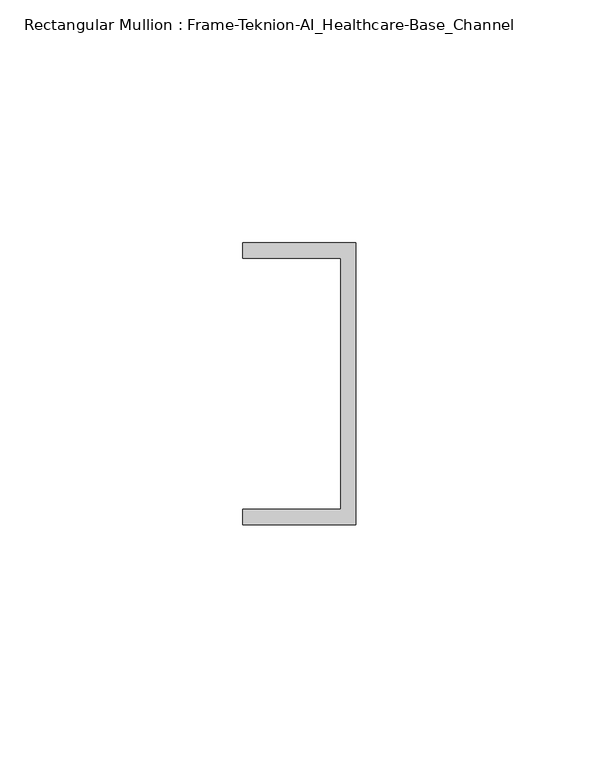
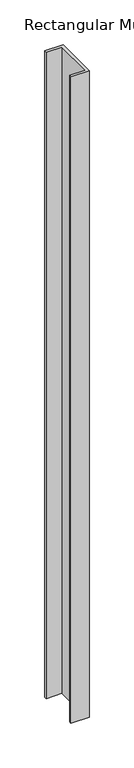
"""IFC4 building model written with IfcOpenShell, lengths in millimetres: member geometry, Rectangular Mullion : Frame-Teknion-AI_Healthcare-Base_Channel."""

from ifc_helpers import new_model, si_unit, frame, origin, place, context, project, spatial, polyline, outline, extrude, source, transform, mapped, element, save


def rectangular_mullion_frame_teknion_ai_healthcare_base_channel_c19e8dce(model_context):
    return source(origin(), model_context, "Body", "SweptSolid", [
        extrude(outline(polyline([(0.0, -29.0214844), (-23.3164063, -29.0214844), (-23.3164063, -25.8464844), (-3.175, -25.8464844), (-3.175, 25.8464844), (-23.3164063, 25.8464844), (-23.3164063, 29.0214844), (0.0, 29.0214844), (0.0, -29.0214844)])), frame((0.0, 0.0, -878.6432503), z_axis=(0.0, 0.0, 1.0), x_axis=(1.0, 0.0, 0.0)), (0.0, 0.0, 1.0), 878.6432503),
    ])


if __name__ == "__main__":
    model = new_model("IFC4")
    model_context = context("Model", 3, world=origin())
    ifc_project = project(units=[si_unit("LENGTHUNIT", "METRE", prefix="MILLI")], contexts=[model_context])
    site = spatial("IfcSite", under=ifc_project)
    building = spatial("IfcBuilding", under=site)
    placement = place(None, origin())
    rectangular_mullion_frame_teknion_ai_healthcare_base_channel_shape = rectangular_mullion_frame_teknion_ai_healthcare_base_channel_c19e8dce(model_context)
    element("IfcMember", 1, ObjectType="Rectangular Mullion : Frame-Teknion-AI_Healthcare-Base_Channel", at=placement, inside=building, context=model_context, shape_type="MappedRepresentation", body=[
        mapped(rectangular_mullion_frame_teknion_ai_healthcare_base_channel_shape, transform((0.0, 0.0, 0.0), x_axis=(1.0, 0.0, 0.0), y_axis=(0.0, 1.0, 0.0), z_axis=(0.0, 0.0, 1.0))),
    ])
    save(model, "model.ifc")
